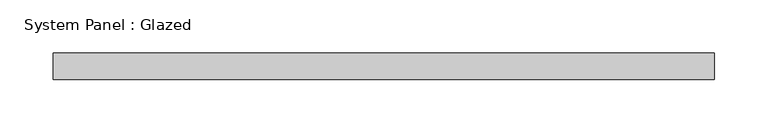
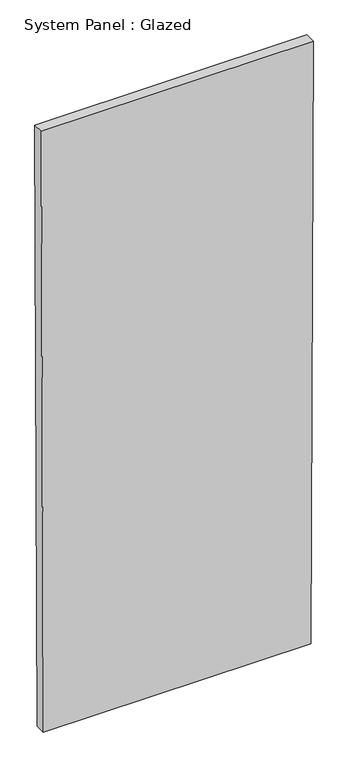
"""IFC4 building model written with IfcOpenShell, lengths in millimetres: plate geometry, System Panel : Glazed."""

from ifc_helpers import new_model, si_unit, frame, origin, place, context, project, spatial, polyline, outline, extrude, source, transform, mapped, element, save


def system_panel_glazed_415da025(model_context):
    return source(origin(), model_context, "Body", "SweptSolid", [
        extrude(outline(polyline([(0.0, -305.1896534), (0.0, 305.1896783), (1449.9901697, 310.2996228), (1449.990161, -310.2996228), (0.0, -305.1896534)])), frame((0.0, -49.5, 0.0), z_axis=(0.0, 1.0, 0.0), x_axis=(0.0, 0.0, 1.0)), (0.0, 0.0, 1.0), 25.0),
    ])


if __name__ == "__main__":
    model = new_model("IFC4")
    model_context = context("Model", 3, world=origin())
    ifc_project = project(units=[si_unit("LENGTHUNIT", "METRE", prefix="MILLI")], contexts=[model_context])
    site = spatial("IfcSite", under=ifc_project)
    building = spatial("IfcBuilding", under=site)
    placement = place(None, origin())
    system_panel_glazed_shape = system_panel_glazed_415da025(model_context)
    element("IfcPlate", 1, ObjectType="System Panel : Glazed", at=placement, inside=building, context=model_context, shape_type="MappedRepresentation", body=[
        mapped(system_panel_glazed_shape, transform((0.0, 0.0, 0.0), x_axis=(1.0, 0.0, 0.0), y_axis=(0.0, 1.0, 0.0), z_axis=(0.0, 0.0, 1.0))),
    ])
    save(model, "model.ifc")
